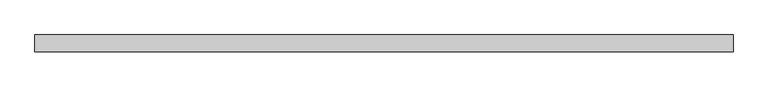
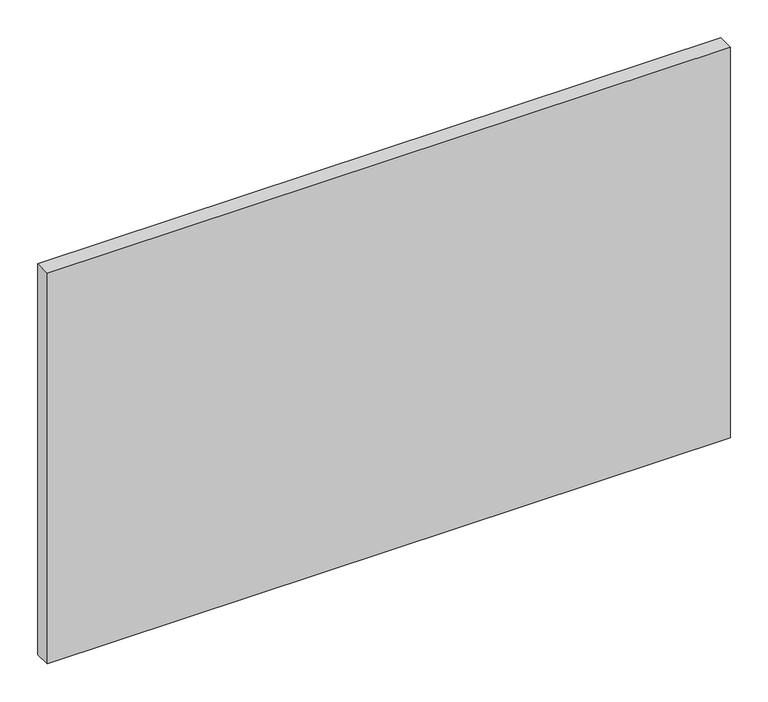
"""IFC4 building model written with IfcOpenShell, lengths in millimetres: plate geometry."""

from ifc_helpers import new_model, si_unit, origin, origin_with_axes, place, context, project, spatial, polyline, outline, extrude, source, transform, mapped, element, save


def plate_cd991b3a(model_context):
    return source(origin(), model_context, "Body", "SweptSolid", [
        extrude(outline(polyline([(522.5, -12.5), (-522.5, -12.5), (-522.5, 12.5), (522.5, 12.5), (522.5, -12.5)])), origin_with_axes(), (0.0, 0.0, 1.0), 631.8371653),
    ])


if __name__ == "__main__":
    model = new_model("IFC4")
    model_context = context("Model", 3, world=origin())
    ifc_project = project(units=[si_unit("LENGTHUNIT", "METRE", prefix="MILLI")], contexts=[model_context])
    site = spatial("IfcSite", under=ifc_project)
    building = spatial("IfcBuilding", under=site)
    placement = place(None, origin())
    plate_shape = plate_cd991b3a(model_context)
    element("IfcPlate", 1, at=placement, inside=building, context=model_context, shape_type="MappedRepresentation", body=[
        mapped(plate_shape, transform((0.0, 0.0, 0.0), x_axis=(1.0, 0.0, 0.0), y_axis=(0.0, 1.0, 0.0), z_axis=(0.0, 0.0, 1.0))),
    ])
    save(model, "model.ifc")
